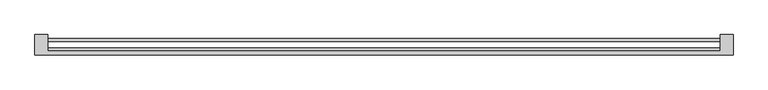
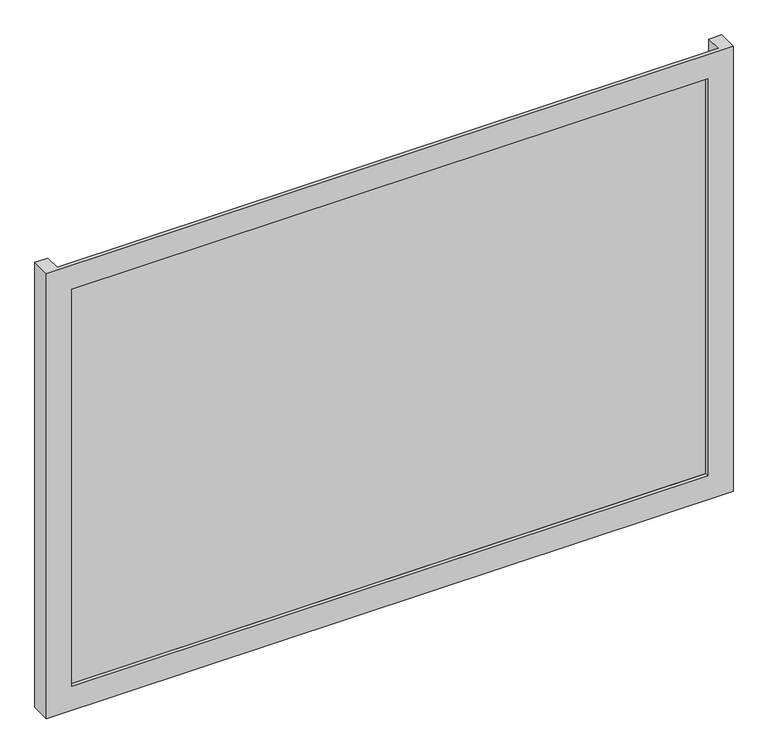
"""IFC4 building model written with IfcOpenShell, lengths in millimetres: plate geometry."""

from ifc_helpers import new_model, si_unit, origin, origin_with_axes, place, context, project, spatial, polyline, outline, extrude, faceted_brep, source, transform, mapped, element, save


def plate_54d108c6(model_context):
    return source(origin(), model_context, "Body", "SolidModel", [
        faceted_brep([(675.0, -50.8, -50.0), (675.0, -89.8, -50.0), (-675.0, -89.8, -50.0), (-675.0, -50.8, -50.0), (-650.0, -50.8, -50.0), (-650.0, -82.8, -50.0), (650.0, -82.8, -50.0), (650.0, -50.8, -50.0), (625.0, -89.8, 0.0), (625.0, -82.8, 0.0), (-625.0, -82.8, 0.0), (-625.0, -89.8, 0.0), (675.0, -89.8, 875.0), (-675.0, -89.8, 875.0), (-625.0, -89.8, 825.0), (625.0, -89.8, 825.0), (-650.0, -82.8, 875.0), (650.0, -82.8, 875.0), (625.0, -82.8, 825.0), (-625.0, -82.8, 825.0), (675.0, -50.8, 875.0), (650.0, -50.8, 875.0), (-650.0, -50.8, 875.0), (-675.0, -50.8, 875.0)], [[[0, 1, 2, 3, 4, 5, 6, 7]], [[8, 9, 10, 11]], [[12, 13, 2, 1], [11, 14, 15, 8]], [[16, 17, 6, 5], [9, 18, 19, 10]], [[20, 21, 17, 16, 22, 23, 13, 12]], [[20, 0, 7, 21]], [[21, 7, 6, 17]], [[8, 15, 18, 9]], [[12, 1, 0, 20]], [[22, 4, 3, 23]], [[16, 5, 4, 22]], [[10, 19, 14, 11]], [[23, 3, 2, 13]], [[18, 15, 14, 19]]]),
        extrude(outline(polyline([(650.0, -76.8), (650.0, -82.8), (-650.0, -82.8), (-650.0, -76.8), (650.0, -76.8)])), origin_with_axes(), (0.0, 0.0, 1.0), 825.0),
        extrude(outline(polyline([(650.0, -64.2), (-650.0, -64.2), (-650.0, -57.8), (650.0, -57.8), (650.0, -64.2)])), origin_with_axes(), (0.0, 0.0, 1.0), 825.0),
    ])


if __name__ == "__main__":
    model = new_model("IFC4")
    model_context = context("Model", 3, world=origin())
    ifc_project = project(units=[si_unit("LENGTHUNIT", "METRE", prefix="MILLI")], contexts=[model_context])
    site = spatial("IfcSite", under=ifc_project)
    building = spatial("IfcBuilding", under=site)
    placement = place(None, origin())
    plate_shape = plate_54d108c6(model_context)
    element("IfcPlate", 1, at=placement, inside=building, context=model_context, shape_type="MappedRepresentation", body=[
        mapped(plate_shape, transform((0.0, 0.0, 0.0), x_axis=(1.0, 0.0, 0.0), y_axis=(0.0, 1.0, 0.0), z_axis=(0.0, 0.0, 1.0))),
    ])
    save(model, "model.ifc")
